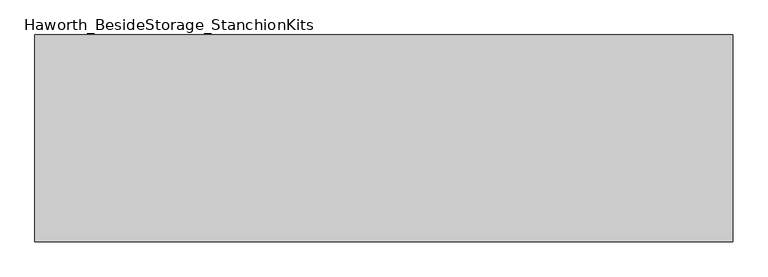
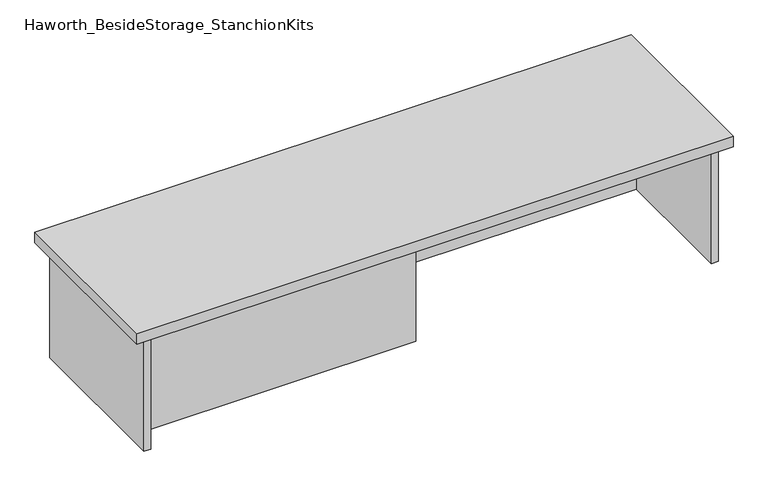
"""IFC4 building model written with IfcOpenShell, lengths in millimetres: furniture geometry, Haworth_BesideStorage_StanchionKits."""

from ifc_helpers import new_model, si_unit, frame, origin, place, context, project, spatial, polyline, outline, extrude, source, transform, mapped, element, save


def haworth_besidestorage_stanchionkits_cb44a9e7(model_context):
    return source(origin(), model_context, "Body", "SweptSolid", [
        extrude(outline(polyline([(847.725, 0.0), (847.725, -406.4), (-523.875, -406.4), (-523.875, 0.0), (847.725, 0.0)])), frame((0.0, 0.0, 711.2), z_axis=(0.0, 0.0, 1.0), x_axis=(1.0, 0.0, 0.0)), (0.0, 0.0, 1.0), 25.4),
        extrude(outline(polyline([(161.925, -76.2), (806.45, -76.2), (806.45, -92.075), (161.925, -92.075), (161.925, -76.2)])), frame((0.0, 0.0, 431.8), z_axis=(0.0, 0.0, 1.0), x_axis=(1.0, 0.0, 0.0)), (0.0, 0.0, 1.0), 279.4),
        extrude(outline(polyline([(161.925, -314.325), (161.925, -330.2), (-482.6, -330.2), (-482.6, -314.325), (161.925, -314.325)])), frame((0.0, 0.0, 431.8), z_axis=(0.0, 0.0, 1.0), x_axis=(1.0, 0.0, 0.0)), (0.0, 0.0, 1.0), 279.4),
        extrude(outline(polyline([(822.325, -390.525), (806.45, -390.525), (806.45, -15.875), (822.325, -15.875), (822.325, -390.525)])), frame((0.0, 0.0, 431.8), z_axis=(0.0, 0.0, 1.0), x_axis=(1.0, 0.0, 0.0)), (0.0, 0.0, 1.0), 279.4),
        extrude(outline(polyline([(-482.6, -390.525), (-498.475, -390.525), (-498.475, -15.875), (-482.6, -15.875), (-482.6, -390.525)])), frame((0.0, 0.0, 431.8), z_axis=(0.0, 0.0, 1.0), x_axis=(1.0, 0.0, 0.0)), (0.0, 0.0, 1.0), 279.4),
    ])


if __name__ == "__main__":
    model = new_model("IFC4")
    model_context = context("Model", 3, world=origin())
    ifc_project = project(units=[si_unit("LENGTHUNIT", "METRE", prefix="MILLI")], contexts=[model_context])
    site = spatial("IfcSite", under=ifc_project)
    building = spatial("IfcBuilding", under=site)
    placement = place(None, origin())
    haworth_besidestorage_stanchionkits_shape = haworth_besidestorage_stanchionkits_cb44a9e7(model_context)
    element("IfcFurniture", 1, ObjectType="Haworth_BesideStorage_StanchionKits", at=placement, inside=building, context=model_context, shape_type="MappedRepresentation", body=[
        mapped(haworth_besidestorage_stanchionkits_shape, transform((0.0, 0.0, 0.0), x_axis=(1.0, 0.0, 0.0), y_axis=(0.0, 1.0, 0.0), z_axis=(0.0, 0.0, 1.0))),
    ])
    save(model, "model.ifc")
